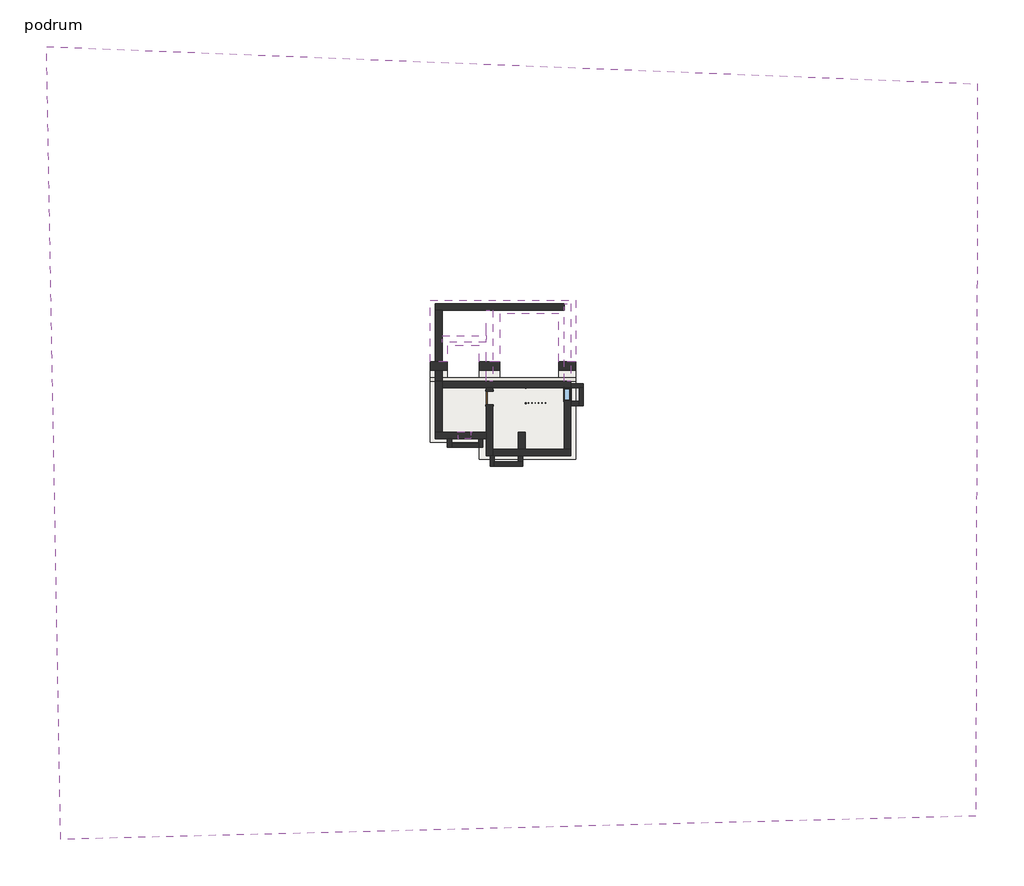
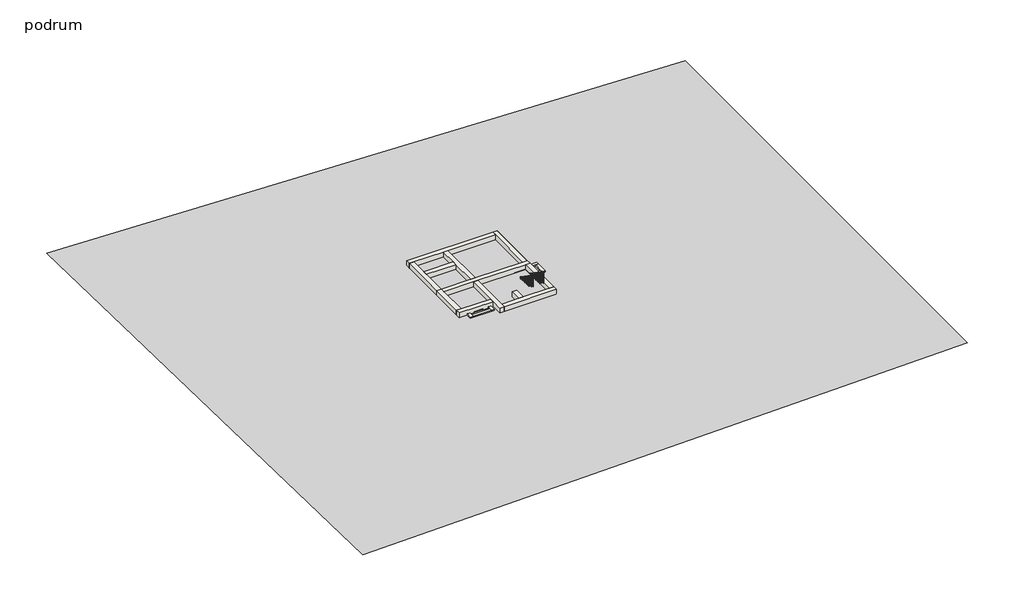
# One storey: 25 walls, 4 slabs, 2 railings, 2 windows, 1 door, 1 proxy.
"""IFC4 building model written with IfcOpenShell, lengths in millimetres."""

import ifcopenshell
import ifcopenshell.guid

model = None  # the IFC model being written
_history = None  # IfcOwnerHistory: only IFC2X3 demands one
_inside = {}  # id of a spatial element -> (the spatial element, [elements in it])
_under = {}  # id of a project, library or spatial element -> (it, [spatial elements below it])
_declared = {}  # id of a project -> (the project, [libraries it declares])
_typed = {}  # id of a type object -> (the type object, [elements of that type])
_made_of = {}  # id of a material, layer set ... -> (it, [elements and type objects made of it])


def new_model(schema):
    """Start an empty IFC model of exactly this schema.

    Asked for "IFC4X3", IfcOpenShell would pick the latest addendum, in which some entities
    have other attributes; the version numbers below select the first issue.
    IFC2X3 requires an IfcOwnerHistory on every rooted entity: one is made here for all.
    """
    global model, _history
    if schema == "IFC4X3":
        model = ifcopenshell.file(schema_version=(4, 3, 0, 0))
    else:
        model = ifcopenshell.file(schema=schema)
    _inside.clear()
    _under.clear()
    _declared.clear()
    _typed.clear()
    _made_of.clear()
    _history = None
    if model.schema == "IFC2X3":
        org = make("IfcOrganization", Name="unknown")
        user = make(
            "IfcPersonAndOrganization",
            ThePerson=make("IfcPerson", FamilyName="unknown"),
            TheOrganization=org,
        )
        app = make(
            "IfcApplication",
            ApplicationDeveloper=org,
            Version="unknown",
            ApplicationFullName="unknown",
            ApplicationIdentifier="unknown",
        )
        _history = make(
            "IfcOwnerHistory",
            OwningUser=user,
            OwningApplication=app,
            ChangeAction="ADDED",
            CreationDate=0,
        )
    return model


def make(cls, **values):
    """One entity of the class cls with the attributes given. An attribute that is None is left unset."""
    return model.create_entity(
        cls, **{name: value for name, value in values.items() if value is not None}
    )


def rooted(cls, **values):
    """An entity with a GlobalId (a new one), such as an element, a storey or a relation."""
    return make(cls, GlobalId=ifcopenshell.guid.new(), OwnerHistory=_history, **values)


def si_unit(unit_type, name, prefix=None):
    """IfcSIUnit, for example si_unit("LENGTHUNIT", "METRE", prefix="MILLI")."""
    return make("IfcSIUnit", UnitType=unit_type, Prefix=prefix, Name=name)


def assignment(units):
    """IfcUnitAssignment: the units of a project."""
    return None if units is None else make("IfcUnitAssignment", Units=units)


def point(xyz):
    """IfcCartesianPoint."""
    return None if xyz is None else make("IfcCartesianPoint", Coordinates=xyz)


def direction(xyz):
    """IfcDirection."""
    return None if xyz is None else make("IfcDirection", DirectionRatios=xyz)


def frame(location, z_axis=None, x_axis=None):
    """IfcAxis2Placement3D, a coordinate frame: its origin and axes. An axis left out is left unset."""
    return make(
        "IfcAxis2Placement3D",
        Location=point(location),
        Axis=direction(z_axis),
        RefDirection=direction(x_axis),
    )


def origin():
    """The frame at (0, 0, 0) with its axes left unset."""
    return frame((0.0, 0.0, 0.0))


def origin_with_axes():
    """The frame at (0, 0, 0) with the z axis (0, 0, 1) and the x axis (1, 0, 0) written out."""
    return frame((0.0, 0.0, 0.0), z_axis=(0.0, 0.0, 1.0), x_axis=(1.0, 0.0, 0.0))


def place(relative_to, where):
    """IfcLocalPlacement: puts the frame where relative to a parent placement (None: the world)."""
    return make(
        "IfcLocalPlacement", PlacementRelTo=relative_to, RelativePlacement=where
    )


def context(
    kind, dimensions, precision=None, world=None, true_north=None, identifier=None
):
    """IfcGeometricRepresentationContext, for example the 3D "Model" context."""
    return make(
        "IfcGeometricRepresentationContext",
        ContextIdentifier=identifier,
        ContextType=kind,
        CoordinateSpaceDimension=dimensions,
        Precision=precision,
        WorldCoordinateSystem=world,
        TrueNorth=true_north,
    )


def project(units=None, contexts=None):
    """IfcProject with its units and contexts."""
    return rooted(
        "IfcProject",
        Name="project",
        RepresentationContexts=contexts,
        UnitsInContext=assignment(units),
    )


def spatial(cls, under=None, at=None, **own):
    """A site, building, storey or space (cls), placed at a placement, below another one or the project."""
    s = rooted(cls, ObjectPlacement=at, **own)
    if under is not None:
        _under.setdefault(under.id(), (under, []))[1].append(s)
    return s


def polyline(points):
    """IfcPolyline through the points."""
    return make("IfcPolyline", Points=[point(p) for p in points])


def point_list(points):
    """IfcCartesianPointList2D or 3D."""
    cls = (
        "IfcCartesianPointList2D" if len(points[0]) == 2 else "IfcCartesianPointList3D"
    )
    return make(cls, CoordList=points)


def outline(outer, holes=None, kind="AREA"):
    """IfcArbitraryClosedProfileDef: a profile drawn as a closed curve; with holes, ...WithVoids."""
    if holes is None:
        return make("IfcArbitraryClosedProfileDef", ProfileType=kind, OuterCurve=outer)
    return make(
        "IfcArbitraryProfileDefWithVoids",
        ProfileType=kind,
        OuterCurve=outer,
        InnerCurves=holes,
    )


def extrude(swept, where, along, depth):
    """IfcExtrudedAreaSolid: the profile swept, set in the frame where, extruded along a direction by depth."""
    return make(
        "IfcExtrudedAreaSolid",
        SweptArea=swept,
        Position=where,
        ExtrudedDirection=direction(along),
        Depth=depth,
    )


def faces_of(points, faces, orient=None, outer=None):
    """IfcFace entities. A face is a list of loops; a loop is a list of indices into points, from 0.

    orient and outer hold one flag for each loop. By default every Orientation is true, the
    first loop of a face is its IfcFaceOuterBound and the others are IfcFaceBound.
    """
    made = []
    for i, loops in enumerate(faces):
        bounds = []
        for j, loop in enumerate(loops):
            is_outer = j == 0 if outer is None else outer[i][j]
            bounds.append(
                make(
                    "IfcFaceOuterBound" if is_outer else "IfcFaceBound",
                    Bound=make("IfcPolyLoop", Polygon=[points[k] for k in loop]),
                    Orientation=True if orient is None else orient[i][j],
                )
            )
        made.append(make("IfcFace", Bounds=bounds))
    return made


def faceted_brep(points, faces, orient=None, outer=None, voids=None):
    """IfcFacetedBrep: a solid bounded by flat faces; with voids (closed shells), ...WithVoids."""
    shared = [point(p) for p in points]
    hull = make("IfcClosedShell", CfsFaces=faces_of(shared, faces, orient, outer))
    if voids is None:
        return make("IfcFacetedBrep", Outer=hull)
    return make(
        "IfcFacetedBrepWithVoids",
        Outer=hull,
        Voids=[
            make(cls, CfsFaces=faces_of(shared, fs, o, b)) for cls, fs, o, b in voids
        ],
    )


def triangles(points, corners, closed=None, point_numbers=None):
    """IfcTriangulatedFaceSet: each triangle names its three corners, points numbered from 1."""
    return make(
        "IfcTriangulatedFaceSet",
        Coordinates=point_list(points),
        Closed=closed,
        CoordIndex=corners,
        PnIndex=point_numbers,
    )


def shape(context_of_items, identifier, shape_type, items):
    """IfcShapeRepresentation: the items that make up one representation, for example the "Body"."""
    return make(
        "IfcShapeRepresentation",
        ContextOfItems=context_of_items,
        RepresentationIdentifier=identifier,
        RepresentationType=shape_type,
        Items=items,
    )


def source(mapping_origin, context_of_items, identifier, shape_type, items):
    """IfcRepresentationMap: a shape defined once, which mapped items show again and again."""
    return make(
        "IfcRepresentationMap",
        MappingOrigin=mapping_origin,
        MappedRepresentation=shape(context_of_items, identifier, shape_type, items),
    )


def transform(
    local_origin,
    x_axis=None,
    y_axis=None,
    z_axis=None,
    scale=None,
    scale2=None,
    scale3=None,
    uniform=True,
):
    """IfcCartesianTransformationOperator3D, or its non-uniform kind. x_axis, y_axis, z_axis: its Axis1, 2, 3."""
    if uniform:
        return make(
            "IfcCartesianTransformationOperator3D",
            Axis1=direction(x_axis),
            Axis2=direction(y_axis),
            LocalOrigin=point(local_origin),
            Scale=scale,
            Axis3=direction(z_axis),
        )
    return make(
        "IfcCartesianTransformationOperator3DnonUniform",
        Axis1=direction(x_axis),
        Axis2=direction(y_axis),
        LocalOrigin=point(local_origin),
        Scale=scale,
        Axis3=direction(z_axis),
        Scale2=scale2,
        Scale3=scale3,
    )


def mapped(mapping_source, mapping_target):
    """IfcMappedItem: shows the shape of a source again, moved by a transform."""
    return make(
        "IfcMappedItem", MappingSource=mapping_source, MappingTarget=mapping_target
    )


def made_of(thing, what):
    """Note that an element or type object is made of a material, layer set ...; save() writes the relation."""
    if what is not None:
        _made_of.setdefault(what.id(), (what, []))[1].append(thing)
    return thing


def element(
    cls,
    number,
    at=None,
    inside=None,
    cuts=None,
    type_object=None,
    material=None,
    context=None,
    identifier="Body",
    shape_type=None,
    held_by="IfcProductDefinitionShape",
    body=None,
    shapes=None,
    **own,
):
    """One element of the class cls, such as IfcWall. Its Tag is "e" and its number.

    at: its placement. inside: the storey or other place that contains it. cuts: it is an
    opening in that element (IfcRelVoidsElement). A single representation is given by context,
    identifier, shape_type and body (its items); several are given by shapes. held_by: the class
    of the entity that holds the representations. save() writes the other relations.
    """
    e = rooted(cls, Tag="e%d" % number, ObjectPlacement=at, **own)
    if body is not None:
        shapes = [shape(context, identifier, shape_type, body)]
    if shapes is not None:
        e.Representation = make(held_by, Representations=shapes)
    if inside is not None:
        _inside.setdefault(inside.id(), (inside, []))[1].append(e)
    if cuts is not None:
        rooted(
            "IfcRelVoidsElement", RelatingBuildingElement=cuts, RelatedOpeningElement=e
        )
    if type_object is not None:
        _typed.setdefault(type_object.id(), (type_object, []))[1].append(e)
    return made_of(e, material)


def aggregate(whole, parts):
    """IfcRelAggregates: a whole, such as a stair, and the parts it consists of."""
    return rooted("IfcRelAggregates", RelatingObject=whole, RelatedObjects=parts)


def save(model, path):
    """Write the relations noted so far, then the file.

    IfcRelAggregates (storeys below a building ...), IfcRelContainedInSpatialStructure (elements
    in a storey), IfcRelDefinesByType, IfcRelAssociatesMaterial and IfcRelDeclares: one each for
    every whole, place, type object, material and project.
    """
    for whole, parts in _under.values():
        aggregate(whole, parts)
    for where, things in _inside.values():
        rooted(
            "IfcRelContainedInSpatialStructure",
            RelatedElements=things,
            RelatingStructure=where,
        )
    for kind, things in _typed.values():
        rooted("IfcRelDefinesByType", RelatedObjects=things, RelatingType=kind)
    for what, things in _made_of.values():
        rooted("IfcRelAssociatesMaterial", RelatedObjects=things, RelatingMaterial=what)
    for by, libraries in _declared.values():
        rooted("IfcRelDeclares", RelatingContext=by, RelatedDefinitions=libraries)
    model.write(path)


def single_flush_vrata_podrum_692fd464(model_context):
    return source(origin(), model_context, "Body", "SweptSolid", [
        extrude(outline(polyline([(2076.2, -476.2), (0.0, -476.2), (0.0, -400.0), (2000.0, -400.0), (2000.0, 400.0), (0.0, 400.0), (0.0, 476.2), (2076.2, 476.2), (2076.2, -476.2)])), frame((0.0, 200.0, 0.0), z_axis=(0.0, 1.0, 0.0), x_axis=(0.0, 0.0, 1.0)), (0.0, 0.0, 1.0), 25.4),
        extrude(outline(polyline([(2076.2, 476.2), (2076.2, -476.2), (0.0, -476.2), (0.0, -400.0), (2000.0, -400.0), (2000.0, 400.0), (0.0, 400.0), (0.0, 476.2), (2076.2, 476.2)])), frame((0.0, -225.4, 0.0), z_axis=(0.0, 1.0, 0.0), x_axis=(0.0, 0.0, 1.0)), (0.0, 0.0, 1.0), 25.4),
        extrude(outline(polyline([(400.0, 149.2), (-400.0, 149.2), (-400.0, 200.0), (400.0, 200.0), (400.0, 149.2)])), origin_with_axes(), (0.0, 0.0, 1.0), 2000.0),
    ])


def handrail_rectangular_777a7de6(model_context):
    return source(origin(), model_context, "Body", "SweptSolid", [
        extrude(outline(polyline([(-1349.8857143, 1316.6034014), (-1442.3710156, 1316.6034014), (-519.4741902, 2658.3534014), (-426.9888889, 2658.3534014), (-1349.8857143, 1316.6034014)])), frame((0.0, 3497.2058469, 0.0), z_axis=(0.0, 1.0, 0.0), x_axis=(0.0, 0.0, 1.0)), (0.0, 0.0, 1.0), 50.8),
        extrude(outline(polyline([(3548.0058469, -243.0285714), (3548.0058469, -335.5138727), (1647.2058469, 971.9146987), (1647.2058469, 1064.4), (3548.0058469, -243.0285714)])), frame((2658.3534014, 0.0, 0.0), z_axis=(1.0, 0.0, 0.0), x_axis=(0.0, 1.0, 0.0)), (0.0, 0.0, 1.0), 50.8),
        extrude(outline(polyline([(1727.6808469, 916.5615241), (1746.7308469, 903.4583495), (1746.7308469, -35.7142857), (1727.6808469, -35.7142857), (1727.6808469, 916.5615241)])), frame((2688.8284014, 0.0, 0.0), z_axis=(1.0, 0.0, 0.0), x_axis=(0.0, 1.0, 0.0)), (0.0, 0.0, 1.0), 19.05),
        extrude(outline(polyline([(1927.6808469, 778.9953865), (1946.7308469, 765.8922119), (1946.7308469, -221.4285714), (1927.6808469, -221.4285714), (1927.6808469, 778.9953865)])), frame((2688.8284014, 0.0, 0.0), z_axis=(1.0, 0.0, 0.0), x_axis=(0.0, 1.0, 0.0)), (0.0, 0.0, 1.0), 19.05),
        extrude(outline(polyline([(2127.6808469, 641.429249), (2146.7308469, 628.3260744), (2146.7308469, -221.4285714), (2127.6808469, -221.4285714), (2127.6808469, 641.429249)])), frame((2688.8284014, 0.0, 0.0), z_axis=(1.0, 0.0, 0.0), x_axis=(0.0, 1.0, 0.0)), (0.0, 0.0, 1.0), 19.05),
        extrude(outline(polyline([(2327.6808469, 503.8631114), (2346.7308469, 490.7599368), (2346.7308469, -407.1428571), (2327.6808469, -407.1428571), (2327.6808469, 503.8631114)])), frame((2688.8284014, 0.0, 0.0), z_axis=(1.0, 0.0, 0.0), x_axis=(0.0, 1.0, 0.0)), (0.0, 0.0, 1.0), 19.05),
        extrude(outline(polyline([(2527.6808469, 366.2969738), (2546.7308469, 353.1937992), (2546.7308469, -592.8571429), (2527.6808469, -592.8571429), (2527.6808469, 366.2969738)])), frame((2688.8284014, 0.0, 0.0), z_axis=(1.0, 0.0, 0.0), x_axis=(0.0, 1.0, 0.0)), (0.0, 0.0, 1.0), 19.05),
        extrude(outline(polyline([(2727.6808469, 228.7308363), (2746.7308469, 215.6276617), (2746.7308469, -778.5714286), (2727.6808469, -778.5714286), (2727.6808469, 228.7308363)])), frame((2688.8284014, 0.0, 0.0), z_axis=(1.0, 0.0, 0.0), x_axis=(0.0, 1.0, 0.0)), (0.0, 0.0, 1.0), 19.05),
        extrude(outline(polyline([(2927.6808469, 91.1646987), (2946.7308469, 78.0615241), (2946.7308469, -778.5714286), (2927.6808469, -778.5714286), (2927.6808469, 91.1646987)])), frame((2688.8284014, 0.0, 0.0), z_axis=(1.0, 0.0, 0.0), x_axis=(0.0, 1.0, 0.0)), (0.0, 0.0, 1.0), 19.05),
        extrude(outline(polyline([(3127.6808469, -46.4014389), (3146.7308469, -59.5046135), (3146.7308469, -964.2857143), (3127.6808469, -964.2857143), (3127.6808469, -46.4014389)])), frame((2688.8284014, 0.0, 0.0), z_axis=(1.0, 0.0, 0.0), x_axis=(0.0, 1.0, 0.0)), (0.0, 0.0, 1.0), 19.05),
        extrude(outline(polyline([(3327.6808469, -183.9675764), (3346.7308469, -197.070751), (3346.7308469, -1150.0), (3327.6808469, -1150.0), (3327.6808469, -183.9675764)])), frame((2688.8284014, 0.0, 0.0), z_axis=(1.0, 0.0, 0.0), x_axis=(0.0, 1.0, 0.0)), (0.0, 0.0, 1.0), 19.05),
        extrude(outline(polyline([(-610.4226029, 2526.1284014), (-623.5257775, 2507.0784014), (-1521.4285714, 2507.0784014), (-1521.4285714, 2526.1284014), (-610.4226029, 2526.1284014)])), frame((0.0, 3527.6808469, 0.0), z_axis=(0.0, 1.0, 0.0), x_axis=(0.0, 0.0, 1.0)), (0.0, 0.0, 1.0), 19.05),
        extrude(outline(polyline([(-747.9887404, 2326.1284014), (-761.091915, 2307.0784014), (-1707.1428571, 2307.0784014), (-1707.1428571, 2326.1284014), (-747.9887404, 2326.1284014)])), frame((0.0, 3527.6808469, 0.0), z_axis=(0.0, 1.0, 0.0), x_axis=(0.0, 0.0, 1.0)), (0.0, 0.0, 1.0), 19.05),
        extrude(outline(polyline([(-885.554878, 2126.1284014), (-898.6580526, 2107.0784014), (-1892.8571429, 2107.0784014), (-1892.8571429, 2126.1284014), (-885.554878, 2126.1284014)])), frame((0.0, 3527.6808469, 0.0), z_axis=(0.0, 1.0, 0.0), x_axis=(0.0, 0.0, 1.0)), (0.0, 0.0, 1.0), 19.05),
        extrude(outline(polyline([(-1023.1210156, 1926.1284014), (-1036.2241902, 1907.0784014), (-1892.8571429, 1907.0784014), (-1892.8571429, 1926.1284014), (-1023.1210156, 1926.1284014)])), frame((0.0, 3527.6808469, 0.0), z_axis=(0.0, 1.0, 0.0), x_axis=(0.0, 0.0, 1.0)), (0.0, 0.0, 1.0), 19.05),
        extrude(outline(polyline([(-1160.6871531, 1726.1284014), (-1173.7903277, 1707.0784014), (-2078.5714286, 1707.0784014), (-2078.5714286, 1726.1284014), (-1160.6871531, 1726.1284014)])), frame((0.0, 3527.6808469, 0.0), z_axis=(0.0, 1.0, 0.0), x_axis=(0.0, 0.0, 1.0)), (0.0, 0.0, 1.0), 19.05),
        extrude(outline(polyline([(-1298.2532907, 1526.1284014), (-1311.3564653, 1507.0784014), (-2264.2857143, 1507.0784014), (-2264.2857143, 1526.1284014), (-1298.2532907, 1526.1284014)])), frame((0.0, 3527.6808469, 0.0), z_axis=(0.0, 1.0, 0.0), x_axis=(0.0, 0.0, 1.0)), (0.0, 0.0, 1.0), 19.05),
        extrude(outline(polyline([(3527.6808469, -321.533714), (3546.7308469, -334.6368886), (3546.7308469, -1335.7142857), (3527.6808469, -1335.7142857), (3527.6808469, -321.533714)])), frame((2688.8284014, 0.0, 0.0), z_axis=(1.0, 0.0, 0.0), x_axis=(0.0, 1.0, 0.0)), (0.0, 0.0, 1.0), 19.05),
        extrude(outline(polyline([(-507.2479997, 2676.1284014), (-520.3511743, 2657.0784014), (-1335.7142857, 2657.0784014), (-1335.7142857, 2676.1284014), (-507.2479997, 2676.1284014)])), frame((0.0, 3527.6808469, 0.0), z_axis=(0.0, 1.0, 0.0), x_axis=(0.0, 0.0, 1.0)), (0.0, 0.0, 1.0), 19.05),
        extrude(outline(polyline([(1647.1808469, 971.9146987), (1666.2308469, 958.8115241), (1666.2308469, -35.7142857), (1647.1808469, -35.7142857), (1647.1808469, 971.9146987)])), frame((2688.8284014, 0.0, 0.0), z_axis=(1.0, 0.0, 0.0), x_axis=(0.0, 1.0, 0.0)), (0.0, 0.0, 1.0), 19.05),
        extrude(outline(polyline([(-1429.267841, 1335.6284014), (-1442.3710156, 1316.5784014), (-2264.2857143, 1316.5784014), (-2264.2857143, 1335.6284014), (-1429.267841, 1335.6284014)])), frame((0.0, 3527.6808469, 0.0), z_axis=(0.0, 1.0, 0.0), x_axis=(0.0, 0.0, 1.0)), (0.0, 0.0, 1.0), 19.05),
    ])


def handrail_rectangular_97ecf400(model_context):
    return source(origin(), model_context, "Body", "SolidModel", [
        faceted_brep([(1316.6034014, 4477.2058469, -1349.8857143), (1316.6034014, 4477.2058469, -1442.3710156), (1316.6034014, 4426.4058469, -1442.3710156), (1316.6034014, 4426.4058469, -1349.8857143), (2666.6034014, 4477.2058469, -421.3142857), (2690.279724, 4477.2058469, -497.5142857), (2690.279724, 4426.4058469, -497.5142857), (2666.6034014, 4426.4058469, -421.3142857), (3638.3534014, 4477.2058469, -421.3142857), (3638.3534014, 4477.2058469, -497.5142857), (3587.5534014, 4426.4058469, -497.5142857), (3587.5534014, 4426.4058469, -421.3142857), (3638.3534014, 3807.2058469, -421.3142857), (3638.3534014, 3783.5295242, -497.5142857), (3587.5534014, 3783.5295242, -497.5142857), (3587.5534014, 3807.2058469, -421.3142857), (3638.3534014, 1647.2058469, 1064.4), (3587.5534014, 1647.2058469, 1064.4), (3587.5534014, 1647.2058469, 971.9146987), (3638.3534014, 1647.2058469, 971.9146987)], [[[0, 1, 2, 3]], [[1, 0, 4, 5]], [[2, 1, 5, 6]], [[3, 2, 6, 7]], [[0, 3, 7, 4]], [[5, 4, 8, 9]], [[6, 5, 9, 10]], [[7, 6, 10, 11]], [[4, 7, 11, 8]], [[9, 8, 12, 13]], [[10, 9, 13, 14]], [[11, 10, 14, 15]], [[8, 11, 15, 12]], [[16, 17, 18, 19]], [[13, 12, 16, 19]], [[14, 13, 19, 18]], [[15, 14, 18, 17]], [[12, 15, 17, 16]]]),
        extrude(outline(polyline([(1816.7308469, 855.3102014), (1816.7308469, -35.7142857), (1797.6808469, -35.7142857), (1797.6808469, 868.413376), (1816.7308469, 855.3102014)])), frame((3588.8284014, 0.0, 0.0), z_axis=(1.0, 0.0, 0.0), x_axis=(0.0, 1.0, 0.0)), (0.0, 0.0, 1.0), 19.05),
        extrude(outline(polyline([(2016.7308469, 717.7440638), (2016.7308469, -221.4285714), (1997.6808469, -221.4285714), (1997.6808469, 730.8472384), (2016.7308469, 717.7440638)])), frame((3588.8284014, 0.0, 0.0), z_axis=(1.0, 0.0, 0.0), x_axis=(0.0, 1.0, 0.0)), (0.0, 0.0, 1.0), 19.05),
        extrude(outline(polyline([(2216.7308469, 580.1779262), (2216.7308469, -407.1428571), (2197.6808469, -407.1428571), (2197.6808469, 593.2811008), (2216.7308469, 580.1779262)])), frame((3588.8284014, 0.0, 0.0), z_axis=(1.0, 0.0, 0.0), x_axis=(0.0, 1.0, 0.0)), (0.0, 0.0, 1.0), 19.05),
        extrude(outline(polyline([(2416.7308469, 442.6117887), (2416.7308469, -407.1428571), (2397.6808469, -407.1428571), (2397.6808469, 455.7149633), (2416.7308469, 442.6117887)])), frame((3588.8284014, 0.0, 0.0), z_axis=(1.0, 0.0, 0.0), x_axis=(0.0, 1.0, 0.0)), (0.0, 0.0, 1.0), 19.05),
        extrude(outline(polyline([(2616.7308469, 305.0456511), (2616.7308469, -592.8571429), (2597.6808469, -592.8571429), (2597.6808469, 318.1488257), (2616.7308469, 305.0456511)])), frame((3588.8284014, 0.0, 0.0), z_axis=(1.0, 0.0, 0.0), x_axis=(0.0, 1.0, 0.0)), (0.0, 0.0, 1.0), 19.05),
        extrude(outline(polyline([(2816.7308469, 167.4795135), (2816.7308469, -778.5714286), (2797.6808469, -778.5714286), (2797.6808469, 180.5826881), (2816.7308469, 167.4795135)])), frame((3588.8284014, 0.0, 0.0), z_axis=(1.0, 0.0, 0.0), x_axis=(0.0, 1.0, 0.0)), (0.0, 0.0, 1.0), 19.05),
        extrude(outline(polyline([(3016.7308469, 29.913376), (3016.7308469, -964.2857143), (2997.6808469, -964.2857143), (2997.6808469, 43.0165506), (3016.7308469, 29.913376)])), frame((3588.8284014, 0.0, 0.0), z_axis=(1.0, 0.0, 0.0), x_axis=(0.0, 1.0, 0.0)), (0.0, 0.0, 1.0), 19.05),
        extrude(outline(polyline([(3216.7308469, -107.6527616), (3216.7308469, -964.2857143), (3197.6808469, -964.2857143), (3197.6808469, -94.549587), (3216.7308469, -107.6527616)])), frame((3588.8284014, 0.0, 0.0), z_axis=(1.0, 0.0, 0.0), x_axis=(0.0, 1.0, 0.0)), (0.0, 0.0, 1.0), 19.05),
        extrude(outline(polyline([(3416.7308469, -245.2188992), (3416.7308469, -1150.0), (3397.6808469, -1150.0), (3397.6808469, -232.1157246), (3416.7308469, -245.2188992)])), frame((3588.8284014, 0.0, 0.0), z_axis=(1.0, 0.0, 0.0), x_axis=(0.0, 1.0, 0.0)), (0.0, 0.0, 1.0), 19.05),
        extrude(outline(polyline([(3616.7308469, -382.7850367), (3616.7308469, -1335.7142857), (3597.6808469, -1335.7142857), (3597.6808469, -369.6818621), (3616.7308469, -382.7850367)])), frame((3588.8284014, 0.0, 0.0), z_axis=(1.0, 0.0, 0.0), x_axis=(0.0, 1.0, 0.0)), (0.0, 0.0, 1.0), 19.05),
        extrude(outline(polyline([(3607.8784014, 3846.7308469), (3607.8784014, 3827.6808469), (3588.8284014, 3827.6808469), (3588.8284014, 3846.7308469), (3607.8784014, 3846.7308469)])), frame((0.0, 0.0, -1335.7142857), z_axis=(0.0, 0.0, 1.0), x_axis=(1.0, 0.0, 0.0)), (0.0, 0.0, 1.0), 838.2),
        extrude(outline(polyline([(3607.8784014, 4046.7308469), (3607.8784014, 4027.6808469), (3588.8284014, 4027.6808469), (3588.8284014, 4046.7308469), (3607.8784014, 4046.7308469)])), frame((0.0, 0.0, -1335.7142857), z_axis=(0.0, 0.0, 1.0), x_axis=(1.0, 0.0, 0.0)), (0.0, 0.0, 1.0), 838.2),
        extrude(outline(polyline([(3607.8784014, 4246.7308469), (3607.8784014, 4227.6808469), (3588.8284014, 4227.6808469), (3588.8284014, 4246.7308469), (3607.8784014, 4246.7308469)])), frame((0.0, 0.0, -1335.7142857), z_axis=(0.0, 0.0, 1.0), x_axis=(1.0, 0.0, 0.0)), (0.0, 0.0, 1.0), 838.2),
        extrude(outline(polyline([(3457.0784014, 4446.7308469), (3476.1284014, 4446.7308469), (3476.1284014, 4427.6808469), (3457.0784014, 4427.6808469), (3457.0784014, 4446.7308469)])), frame((0.0, 0.0, -1335.7142857), z_axis=(0.0, 0.0, 1.0), x_axis=(1.0, 0.0, 0.0)), (0.0, 0.0, 1.0), 838.2),
        extrude(outline(polyline([(3257.0784014, 4446.7308469), (3276.1284014, 4446.7308469), (3276.1284014, 4427.6808469), (3257.0784014, 4427.6808469), (3257.0784014, 4446.7308469)])), frame((0.0, 0.0, -1335.7142857), z_axis=(0.0, 0.0, 1.0), x_axis=(1.0, 0.0, 0.0)), (0.0, 0.0, 1.0), 838.2),
        extrude(outline(polyline([(3057.0784014, 4446.7308469), (3076.1284014, 4446.7308469), (3076.1284014, 4427.6808469), (3057.0784014, 4427.6808469), (3057.0784014, 4446.7308469)])), frame((0.0, 0.0, -1335.7142857), z_axis=(0.0, 0.0, 1.0), x_axis=(1.0, 0.0, 0.0)), (0.0, 0.0, 1.0), 838.2),
        extrude(outline(polyline([(2857.0784014, 4446.7308469), (2876.1284014, 4446.7308469), (2876.1284014, 4427.6808469), (2857.0784014, 4427.6808469), (2857.0784014, 4446.7308469)])), frame((0.0, 0.0, -1335.7142857), z_axis=(0.0, 0.0, 1.0), x_axis=(1.0, 0.0, 0.0)), (0.0, 0.0, 1.0), 838.2),
        extrude(outline(polyline([(-623.5257775, 2507.0784014), (-1521.4285714, 2507.0784014), (-1521.4285714, 2526.1284014), (-610.4226029, 2526.1284014), (-623.5257775, 2507.0784014)])), frame((0.0, 4427.6808469, 0.0), z_axis=(0.0, 1.0, 0.0), x_axis=(0.0, 0.0, 1.0)), (0.0, 0.0, 1.0), 19.05),
        extrude(outline(polyline([(-761.091915, 2307.0784014), (-1707.1428571, 2307.0784014), (-1707.1428571, 2326.1284014), (-747.9887404, 2326.1284014), (-761.091915, 2307.0784014)])), frame((0.0, 4427.6808469, 0.0), z_axis=(0.0, 1.0, 0.0), x_axis=(0.0, 0.0, 1.0)), (0.0, 0.0, 1.0), 19.05),
        extrude(outline(polyline([(-898.6580526, 2107.0784014), (-1892.8571429, 2107.0784014), (-1892.8571429, 2126.1284014), (-885.554878, 2126.1284014), (-898.6580526, 2107.0784014)])), frame((0.0, 4427.6808469, 0.0), z_axis=(0.0, 1.0, 0.0), x_axis=(0.0, 0.0, 1.0)), (0.0, 0.0, 1.0), 19.05),
        extrude(outline(polyline([(-1036.2241902, 1907.0784014), (-1892.8571429, 1907.0784014), (-1892.8571429, 1926.1284014), (-1023.1210156, 1926.1284014), (-1036.2241902, 1907.0784014)])), frame((0.0, 4427.6808469, 0.0), z_axis=(0.0, 1.0, 0.0), x_axis=(0.0, 0.0, 1.0)), (0.0, 0.0, 1.0), 19.05),
        extrude(outline(polyline([(-1173.7903277, 1707.0784014), (-2078.5714286, 1707.0784014), (-2078.5714286, 1726.1284014), (-1160.6871531, 1726.1284014), (-1173.7903277, 1707.0784014)])), frame((0.0, 4427.6808469, 0.0), z_axis=(0.0, 1.0, 0.0), x_axis=(0.0, 0.0, 1.0)), (0.0, 0.0, 1.0), 19.05),
        extrude(outline(polyline([(-1311.3564653, 1507.0784014), (-2264.2857143, 1507.0784014), (-2264.2857143, 1526.1284014), (-1298.2532907, 1526.1284014), (-1311.3564653, 1507.0784014)])), frame((0.0, 4427.6808469, 0.0), z_axis=(0.0, 1.0, 0.0), x_axis=(0.0, 0.0, 1.0)), (0.0, 0.0, 1.0), 19.05),
        extrude(outline(polyline([(3607.8784014, 3816.7308469), (3607.8784014, 3797.6808469), (3588.8284014, 3797.6808469), (3588.8284014, 3816.7308469), (3607.8784014, 3816.7308469)])), frame((0.0, 0.0, -1335.7142857), z_axis=(0.0, 0.0, 1.0), x_axis=(1.0, 0.0, 0.0)), (0.0, 0.0, 1.0), 838.2),
        extrude(outline(polyline([(3588.8284014, 4446.7308469), (3607.8784014, 4446.7308469), (3607.8784014, 4427.6808469), (3588.8284014, 4427.6808469), (3588.8284014, 4446.7308469)])), frame((0.0, 0.0, -1335.7142857), z_axis=(0.0, 0.0, 1.0), x_axis=(1.0, 0.0, 0.0)), (0.0, 0.0, 1.0), 838.2),
        extrude(outline(polyline([(-520.3511743, 2657.0784014), (-1335.7142857, 2657.0784014), (-1335.7142857, 2676.1284014), (-507.2479997, 2676.1284014), (-520.3511743, 2657.0784014)])), frame((0.0, 4427.6808469, 0.0), z_axis=(0.0, 1.0, 0.0), x_axis=(0.0, 0.0, 1.0)), (0.0, 0.0, 1.0), 19.05),
        extrude(outline(polyline([(1666.2308469, 958.8115241), (1666.2308469, -35.7142857), (1647.1808469, -35.7142857), (1647.1808469, 971.9146987), (1666.2308469, 958.8115241)])), frame((3588.8284014, 0.0, 0.0), z_axis=(1.0, 0.0, 0.0), x_axis=(0.0, 1.0, 0.0)), (0.0, 0.0, 1.0), 19.05),
        extrude(outline(polyline([(-1442.3710156, 1316.5784014), (-2264.2857143, 1316.5784014), (-2264.2857143, 1335.6284014), (-1429.267841, 1335.6284014), (-1442.3710156, 1316.5784014)])), frame((0.0, 4427.6808469, 0.0), z_axis=(0.0, 1.0, 0.0), x_axis=(0.0, 0.0, 1.0)), (0.0, 0.0, 1.0), 19.05),
    ])


def fixed_with_trim_efe55229(model_context):
    return source(origin(), model_context, "Body", "SweptSolid", [
        extrude(outline(polyline([(-482.95, 225.4), (406.75, 225.4), (406.75, 200.0), (-482.95, 200.0), (-482.95, 225.4)])), frame((0.0, 0.0, 914.4), z_axis=(0.0, 0.0, 1.0), x_axis=(1.0, 0.0, 0.0)), (0.0, 0.0, 1.0), 19.05),
        extrude(outline(polyline([(1595.35, -394.05), (1595.35, 317.85), (933.45, 317.85), (933.45, 406.75), (1684.25, 406.75), (1684.25, -482.95), (933.45, -482.95), (933.45, -394.05), (1595.35, -394.05)])), frame((0.0, 200.0, 0.0), z_axis=(0.0, 1.0, 0.0), x_axis=(0.0, 0.0, 1.0)), (0.0, 0.0, 1.0), 12.7),
        extrude(outline(polyline([(1671.55, 394.05), (1671.55, -470.25), (857.25, -470.25), (857.25, 394.05), (1671.55, 394.05)]), holes=[polyline([(1582.65, 305.15), (946.15, 305.15), (946.15, -381.35), (1582.65, -381.35), (1582.65, 305.15)])]), frame((0.0, -219.05, 0.0), z_axis=(0.0, 1.0, 0.0), x_axis=(0.0, 0.0, 1.0)), (0.0, 0.0, 1.0), 19.05),
        extrude(outline(polyline([(273.4, 152.375), (-349.6, 152.375), (-349.6, 165.075), (273.4, 165.075), (273.4, 152.375)])), frame((0.0, 0.0, 977.9), z_axis=(0.0, 0.0, 1.0), x_axis=(1.0, 0.0, 0.0)), (0.0, 0.0, 1.0), 573.0),
        extrude(outline(polyline([(1595.35, -394.05), (933.45, -394.05), (933.45, 317.85), (1595.35, 317.85), (1595.35, -394.05)]), holes=[polyline([(1550.9, -349.6), (1550.9, 273.4), (977.9, 273.4), (977.9, -349.6), (1550.9, -349.6)])]), frame((0.0, 136.5, 0.0), z_axis=(0.0, 1.0, 0.0), x_axis=(0.0, 0.0, 1.0)), (0.0, 0.0, 1.0), 44.45),
        extrude(outline(polyline([(1614.4, -413.1), (914.4, -413.1), (914.4, 336.9), (1614.4, 336.9), (1614.4, -413.1)]), holes=[polyline([(1582.65, -381.35), (1582.65, 305.15), (946.15, 305.15), (946.15, -381.35), (1582.65, -381.35)])]), frame((0.0, -200.0, 0.0), z_axis=(0.0, 1.0, 0.0), x_axis=(0.0, 0.0, 1.0)), (0.0, 0.0, 1.0), 336.5),
        extrude(outline(polyline([(1614.4, 336.9), (1614.4, -413.1), (914.4, -413.1), (914.4, 336.9), (1614.4, 336.9)]), holes=[polyline([(1595.35, 317.85), (933.45, 317.85), (933.45, -394.05), (1595.35, -394.05), (1595.35, 317.85)])]), frame((0.0, 136.5, 0.0), z_axis=(0.0, 1.0, 0.0), x_axis=(0.0, 0.0, 1.0)), (0.0, 0.0, 1.0), 63.5),
    ])


def transom_with_trim_39e97bac(model_context):
    return source(origin(), model_context, "Body", "SweptSolid", [
        extrude(outline(polyline([(2807.15, 394.05), (2807.15, -470.25), (1942.85, -470.25), (1942.85, 394.05), (2807.15, 394.05)]), holes=[polyline([(2718.25, 305.15), (2031.75, 305.15), (2031.75, -381.35), (2718.25, -381.35), (2718.25, 305.15)])]), frame((0.0, -219.05, 0.0), z_axis=(0.0, 1.0, 0.0), x_axis=(0.0, 0.0, 1.0)), (0.0, 0.0, 1.0), 19.05),
        extrude(outline(polyline([(273.4, 152.375), (-349.6, 152.375), (-349.6, 165.075), (273.4, 165.075), (273.4, 152.375)])), frame((0.0, 0.0, 2063.5), z_axis=(0.0, 0.0, 1.0), x_axis=(1.0, 0.0, 0.0)), (0.0, 0.0, 1.0), 623.0),
        extrude(outline(polyline([(2730.95, -394.05), (2019.05, -394.05), (2019.05, 317.85), (2730.95, 317.85), (2730.95, -394.05)]), holes=[polyline([(2686.5, -349.6), (2686.5, 273.4), (2063.5, 273.4), (2063.5, -349.6), (2686.5, -349.6)])]), frame((0.0, 136.5, 0.0), z_axis=(0.0, 1.0, 0.0), x_axis=(0.0, 0.0, 1.0)), (0.0, 0.0, 1.0), 44.45),
        extrude(outline(polyline([(2750.0, -413.1), (2000.0, -413.1), (2000.0, 336.9), (2750.0, 336.9), (2750.0, -413.1)]), holes=[polyline([(2718.25, -381.35), (2718.25, 305.15), (2031.75, 305.15), (2031.75, -381.35), (2718.25, -381.35)])]), frame((0.0, -200.0, 0.0), z_axis=(0.0, 1.0, 0.0), x_axis=(0.0, 0.0, 1.0)), (0.0, 0.0, 1.0), 336.5),
        extrude(outline(polyline([(2750.0, 336.9), (2750.0, -413.1), (2000.0, -413.1), (2000.0, 336.9), (2750.0, 336.9)]), holes=[polyline([(2730.95, 317.85), (2019.05, 317.85), (2019.05, -394.05), (2730.95, -394.05), (2730.95, 317.85)])]), frame((0.0, 136.5, 0.0), z_axis=(0.0, 1.0, 0.0), x_axis=(0.0, 0.0, 1.0)), (0.0, 0.0, 1.0), 63.5),
    ])


model = new_model("IFC4")

# Units and contexts
model_context = context("Model", 3, world=origin())
ifc_project = project(units=[si_unit("LENGTHUNIT", "METRE", prefix="MILLI")], contexts=[model_context])

# Site, building, storey
site = spatial("IfcSite", under=ifc_project)
building = spatial("IfcBuilding", under=site)
storey = spatial("IfcBuildingStorey", under=building, Name="podrum", Elevation=-2600.0)

# Proxy
placement = place(None, origin())
element("IfcBuildingElementProxy", 1, Name="Building Element Proxy", at=placement, inside=storey, context=model_context, shape_type="Tessellation", body=[
    triangles([(-26127.6191528, -22251.4464478, -450.0000034), (27949.9148987, -20874.2560913, -450.0000034), (28049.3762695, 22402.4256042, -450.0000034), (-26965.486615, 24606.5631592, -450.0000034)], [[4, 1, 3], [2, 3, 1]], closed=False),
])

# Door
single_flush_vrata_podrum_shape = single_flush_vrata_podrum_692fd464(model_context)
element("IfcDoor", 2, ObjectType="Single-Flush : vrata podrum", at=placement, inside=storey, context=model_context, shape_type="MappedRepresentation", body=[
    mapped(single_flush_vrata_podrum_shape, transform((-783.3965986, 3837.2058469, -2600.0), x_axis=(0.0, 1.0, 0.0), y_axis=(-1.0, 0.0, 0.0), z_axis=(0.0, 0.0, 1.0))),
])

# Railings
handrail_rectangular_shape = handrail_rectangular_777a7de6(model_context)
element("IfcRailing", 3, ObjectType="Handrail - Rectangular", at=placement, inside=storey, context=model_context, shape_type="MappedRepresentation", body=[
    mapped(handrail_rectangular_shape, transform((0.0, 0.0, 0.0), x_axis=(1.0, 0.0, 0.0), y_axis=(0.0, 1.0, 0.0), z_axis=(0.0, 0.0, 1.0))),
])
handrail_rectangular_2_shape = handrail_rectangular_97ecf400(model_context)
element("IfcRailing", 4, ObjectType="Handrail - Rectangular", at=placement, inside=storey, context=model_context, shape_type="MappedRepresentation", body=[
    mapped(handrail_rectangular_2_shape, transform((0.0, 0.0, 0.0), x_axis=(1.0, 0.0, 0.0), y_axis=(0.0, 1.0, 0.0), z_axis=(0.0, 0.0, 1.0))),
])

# Slabs
element("IfcSlab", 5, ObjectType="Foundation Slab 1", at=placement, inside=storey, context=model_context, shape_type="SweptSolid", body=[
    extrude(outline(polyline([(-4283.3965986, 5037.2058469), (4316.6034014, 5037.2058469), (4316.6034014, 217.2058469), (-1383.3965986, 217.2058469), (-1383.3965986, 1217.2058469), (-4283.3965986, 1217.2058469), (-4283.3965986, 5037.2058469)]), holes=[polyline([(-3283.3965986, 2017.2058469), (-1383.3965986, 2017.2058469), (-1383.3965986, 4237.2058469), (-3283.3965986, 4237.2058469), (-3283.3965986, 2017.2058469)]), polyline([(816.6034014, 1017.2058469), (816.6034014, 1817.2058469), (1416.6034014, 1817.2058469), (1416.6034014, 1017.2058469), (3316.6034014, 1017.2058469), (3316.6034014, 4237.2058469), (-183.3965986, 4237.2058469), (-183.3965986, 1017.2058469), (816.6034014, 1017.2058469)])]), frame((0.0, 0.0, -3100.0), z_axis=(0.0, 0.0, 1.0), x_axis=(1.0, 0.0, 0.0)), (0.0, 0.0, 1.0), 500.0),
])
element("IfcSlab", 6, ObjectType="Foundation Slab 1", at=placement, inside=storey, context=model_context, shape_type="SweptSolid", body=[
    extrude(outline(polyline([(4316.6034014, 9617.2058469), (4316.6034014, 5977.2058469), (3316.6034014, 5977.2058469), (3316.6034014, 8817.2058469), (-183.3965986, 8817.2058469), (-183.3965986, 5977.2058469), (-1383.3965986, 5977.2058469), (-1383.3965986, 6917.2058469), (-3283.3965986, 6917.2058469), (-3283.3965986, 5977.2058469), (-4283.3965986, 5977.2058469), (-4283.3965986, 9617.2058469), (4316.6034014, 9617.2058469)]), holes=[polyline([(-3283.3965986, 8817.2058469), (-3283.3965986, 7717.2058469), (-1383.3965986, 7717.2058469), (-1383.3965986, 8817.2058469), (-3283.3965986, 8817.2058469)])]), frame((0.0, 0.0, -1300.0), z_axis=(0.0, 0.0, 1.0), x_axis=(1.0, 0.0, 0.0)), (0.0, 0.0, 1.0), 500.0),
])
element("IfcSlab", 7, ObjectType="Foundation Slab 1", at=placement, inside=storey, context=model_context, shape_type="SweptSolid", body=[
    extrude(outline(polyline([(-3283.3965986, 4837.2058469), (-4283.3965986, 4837.2058469), (-4283.3965986, 5977.2058469), (-3283.3965986, 5977.2058469), (-3283.3965986, 4837.2058469)])), frame((0.0, 0.0, -2200.0), z_axis=(0.0, 0.0, 1.0), x_axis=(1.0, 0.0, 0.0)), (0.0, 0.0, 1.0), 500.0),
    extrude(outline(polyline([(-1383.3965986, 4837.2058469), (-1383.3965986, 5977.2058469), (-183.3965986, 5977.2058469), (-183.3965986, 4837.2058469), (-1383.3965986, 4837.2058469)])), frame((0.0, 0.0, -2200.0), z_axis=(0.0, 0.0, 1.0), x_axis=(1.0, 0.0, 0.0)), (0.0, 0.0, 1.0), 500.0),
    extrude(outline(polyline([(3316.6034014, 4837.2058469), (3316.6034014, 5977.2058469), (4316.6034014, 5977.2058469), (4316.6034014, 4837.2058469), (3316.6034014, 4837.2058469)])), frame((0.0, 0.0, -2200.0), z_axis=(0.0, 0.0, 1.0), x_axis=(1.0, 0.0, 0.0)), (0.0, 0.0, 1.0), 500.0),
])
element("IfcSlab", 8, ObjectType="pod", at=placement, inside=storey, context=model_context, shape_type="SweptSolid", body=[
    extrude(outline(polyline([(3616.6034014, 4437.2058469), (3616.6034014, 817.2058469), (-583.3965986, 817.2058469), (-583.3965986, 1817.2058469), (-3583.3965986, 1817.2058469), (-3583.3965986, 4437.2058469), (3616.6034014, 4437.2058469)])), frame((0.0, 0.0, -2600.0), z_axis=(0.0, 0.0, 1.0), x_axis=(1.0, 0.0, 0.0)), (0.0, 0.0, 1.0), 150.0),
])

# Walls
element("IfcWall", 9, at=placement, inside=storey, context=model_context, shape_type="Brep", body=[
    faceted_brep([(3616.6034014, 9417.2058469, -800.0), (3616.6034014, 4837.2058469, -800.0), (3616.6034014, 4837.2058469, 0.0), (3616.6034014, 9017.2058469, 0.0), (3616.6034014, 9417.2058469, 0.0), (4016.6034014, 9417.2058469, -800.0), (4016.6034014, 9417.2058469, 0.0), (4016.6034014, 4837.2058469, 0.0), (4016.6034014, 4837.2058469, -330.0), (4016.6034014, 4837.2058469, -800.0), (4008.8104326, 4837.2058469, 0.0), (4008.8104326, 9417.2058469, 0.0)], [[[0, 1, 2, 3, 4]], [[5, 6, 7, 8, 9]], [[1, 0, 5, 9]], [[1, 9, 8, 7, 10, 2]], [[0, 4, 11, 6, 5]], [[10, 7, 6, 11]], [[4, 3, 2, 10, 11]]]),
])
element("IfcWall", 10, at=placement, inside=storey, context=model_context, shape_type="SweptSolid", body=[
    extrude(outline(polyline([(-3583.3965986, 7517.2058469), (-983.3965986, 7517.2058469), (-983.3965986, 7117.2058469), (-3583.3965986, 7117.2058469), (-3583.3965986, 7517.2058469)])), frame((0.0, 0.0, -800.0), z_axis=(0.0, 0.0, 1.0), x_axis=(1.0, 0.0, 0.0)), (0.0, 0.0, 1.0), 800.0),
])
element("IfcWall", 11, at=placement, inside=storey, context=model_context, shape_type="Brep", body=[
    faceted_brep([(-583.3965986, 4837.2058469, -800.0), (-583.3965986, 9017.2058469, -800.0), (-583.3965986, 9017.2058469, 0.0), (-583.3965986, 4837.2058469, 0.0), (-983.3965986, 4837.2058469, -800.0), (-983.3965986, 4837.2058469, 0.0), (-983.3965986, 7117.2058469, 0.0), (-983.3965986, 7517.2058469, 0.0), (-983.3965986, 9017.2058469, 0.0), (-983.3965986, 9017.2058469, -800.0), (-983.3965986, 7517.2058469, -800.0), (-983.3965986, 7117.2058469, -800.0)], [[[0, 1, 2, 3]], [[4, 5, 6, 7, 8, 9, 10, 11]], [[1, 0, 4, 11, 10, 9]], [[3, 2, 8, 7, 6, 5]], [[0, 3, 5, 4]], [[2, 1, 9, 8]]]),
])
element("IfcWall", 12, at=placement, inside=storey, context=model_context, shape_type="Brep", body=[
    faceted_brep([(-983.3965986, 1817.2058469, -2600.0), (-3583.3965986, 1817.2058469, -2600.0), (-3983.3965986, 1817.2058469, -2600.0), (-3983.3965986, 1817.2058469, 0.0), (-3583.3965986, 1817.2058469, 0.0), (-983.3965986, 1817.2058469, 0.0), (-2633.3965986, 1817.2058469, -350.0), (-2633.3965986, 1817.2058469, -1100.0), (-1883.3965986, 1817.2058469, -1100.0), (-1883.3965986, 1817.2058469, -350.0), (-3983.3965986, 1417.2058469, -2600.0), (-3283.3965986, 1417.2058469, -2600.0), (-3033.3965986, 1417.2058469, -2600.0), (-1433.3965986, 1417.2058469, -2600.0), (-1183.3965986, 1417.2058469, -2600.0), (-983.3965986, 1417.2058469, -2600.0), (-983.3965986, 1417.2058469, 0.0), (-3983.3965986, 1417.2058469, 0.0), (-2633.3965986, 1417.2058469, -1100.0), (-2633.3965986, 1417.2058469, -350.0), (-1883.3965986, 1417.2058469, -350.0), (-1883.3965986, 1417.2058469, -1100.0)], [[[0, 1, 2, 3, 4, 5], [6, 7, 8, 9]], [[10, 11, 12, 13, 14, 15, 16, 17], [18, 19, 20, 21]], [[2, 1, 0, 15, 14, 13, 12, 11, 10]], [[5, 4, 3, 17, 16]], [[0, 5, 16, 15]], [[3, 2, 10, 17]], [[6, 19, 18, 7]], [[7, 18, 21, 8]], [[8, 21, 20, 9]], [[19, 6, 9, 20]]]),
])
element("IfcWall", 13, at=placement, inside=storey, context=model_context, shape_type="Brep", body=[
    faceted_brep([(-583.3965986, 417.2058469, -2600.0), (-498.3965986, 417.2058469, -2600.0), (916.6034014, 417.2058469, -2600.0), (1166.6034014, 417.2058469, -2600.0), (4016.6034014, 417.2058469, -2600.0), (4016.6034014, 417.2058469, 0.0), (-583.3965986, 417.2058469, 0.0), (-583.3965986, 817.2058469, -2600.0), (-583.3965986, 817.2058469, 0.0), (916.6034014, 817.2058469, 0.0), (1316.6034014, 817.2058469, 0.0), (3616.6034014, 817.2058469, 0.0), (4016.6034014, 817.2058469, 0.0), (4016.6034014, 817.2058469, -2600.0), (3616.6034014, 817.2058469, -2600.0), (1316.6034014, 817.2058469, -2600.0), (916.6034014, 817.2058469, -2600.0)], [[[0, 1, 2, 3, 4, 5, 6]], [[7, 8, 9, 10, 11, 12, 13, 14, 15, 16]], [[4, 3, 2, 1, 0, 7, 16, 15, 14, 13]], [[6, 5, 12, 11, 10, 9, 8]], [[5, 4, 13, 12]], [[0, 6, 8, 7]]]),
])
element("IfcWall", 14, at=placement, inside=storey, context=model_context, shape_type="Brep", body=[
    faceted_brep([(4016.6034014, 817.2058469, -2600.0), (4016.6034014, 3387.2058469, -2600.0), (4016.6034014, 3637.2058469, -2600.0), (4016.6034014, 4437.2058469, -2600.0), (4016.6034014, 4437.2058469, -330.0), (4016.6034014, 4437.2058469, 0.0), (4016.6034014, 817.2058469, 0.0), (4016.6034014, 3662.2058469, -985.6), (4016.6034014, 4412.2058469, -985.6), (4016.6034014, 4412.2058469, -1685.6), (4016.6034014, 3662.2058469, -1685.6), (3616.6034014, 817.2058469, -2600.0), (3616.6034014, 817.2058469, 0.0), (3616.6034014, 4437.2058469, 0.0), (3616.6034014, 4437.2058469, -2600.0), (3616.6034014, 3662.2058469, -985.6), (3616.6034014, 3662.2058469, -1685.6), (3616.6034014, 4412.2058469, -1685.6), (3616.6034014, 4412.2058469, -985.6)], [[[0, 1, 2, 3, 4, 5, 6], [7, 8, 9, 10]], [[11, 12, 13, 14], [15, 16, 17, 18]], [[3, 2, 1, 0, 11, 14]], [[6, 5, 13, 12]], [[0, 6, 12, 11]], [[3, 14, 13, 5, 4]], [[16, 15, 7, 10]], [[17, 16, 10, 9]], [[18, 17, 9, 8]], [[15, 18, 8, 7]]]),
])
element("IfcWall", 15, at=placement, inside=storey, context=model_context, shape_type="Brep", body=[
    faceted_brep([(-983.3965986, 4437.2058469, -2600.0), (-983.3965986, 4237.2058469, -2600.0), (-983.3965986, 4237.2058469, -600.0), (-983.3965986, 3437.2058469, -600.0), (-983.3965986, 3437.2058469, -2600.0), (-983.3965986, 1817.2058469, -2600.0), (-983.3965986, 1417.2058469, -2600.0), (-983.3965986, 417.2058469, -2600.0), (-983.3965986, 417.2058469, 0.0), (-983.3965986, 1417.2058469, 0.0), (-983.3965986, 1817.2058469, 0.0), (-983.3965986, 4437.2058469, 0.0), (-583.3965986, 4237.2058469, -600.0), (-583.3965986, 4237.2058469, -2600.0), (-583.3965986, 4437.2058469, -2600.0), (-583.3965986, 4437.2058469, 0.0), (-583.3965986, 817.2058469, 0.0), (-583.3965986, 417.2058469, 0.0), (-583.3965986, 417.2058469, -2600.0), (-583.3965986, 817.2058469, -2600.0), (-583.3965986, 3437.2058469, -2600.0), (-583.3965986, 3437.2058469, -600.0), (-748.3965986, 417.2058469, -2600.0)], [[[0, 1, 2, 3, 4, 5, 6, 7, 8, 9, 10, 11]], [[12, 13, 14, 15, 16, 17, 18, 19, 20, 21]], [[14, 13, 1, 0]], [[20, 19, 18, 22, 7, 6, 5, 4]], [[11, 10, 9, 8, 17, 16, 15]], [[7, 22, 18, 17, 8]], [[2, 1, 13, 12]], [[3, 2, 12, 21]], [[4, 3, 21, 20]], [[0, 11, 15, 14]]]),
])
element("IfcWall", 16, at=placement, inside=storey, context=model_context, shape_type="Brep", body=[
    faceted_brep([(-3583.3965986, 1817.2058469, -2600.0), (-3583.3965986, 4437.2058469, -2600.0), (-3583.3965986, 4837.2058469, -2600.0), (-3583.3965986, 4837.2058469, 0.0), (-3583.3965986, 4437.2058469, 0.0), (-3583.3965986, 1817.2058469, 0.0), (-3983.3965986, 1817.2058469, -2600.0), (-3983.3965986, 1817.2058469, 0.0), (-3983.3965986, 4837.2058469, 0.0), (-3983.3965986, 4837.2058469, -2600.0)], [[[0, 1, 2, 3, 4, 5]], [[6, 7, 8, 9]], [[2, 1, 0, 6, 9]], [[5, 4, 3, 8, 7]], [[3, 2, 9, 8]], [[0, 5, 7, 6]]]),
])
element("IfcWall", 17, at=placement, inside=storey, context=model_context, shape_type="Brep", body=[
    faceted_brep([(-3583.3965986, 4437.2058469, -2600.0), (-983.3965986, 4437.2058469, -2600.0), (-583.3965986, 4437.2058469, -2600.0), (3616.6034014, 4437.2058469, -2600.0), (4016.6034014, 4437.2058469, -2600.0), (4016.6034014, 4437.2058469, -330.0), (4016.6034014, 4437.2058469, 0.0), (3616.6034014, 4437.2058469, 0.0), (-583.3965986, 4437.2058469, 0.0), (-983.3965986, 4437.2058469, 0.0), (-3583.3965986, 4437.2058469, 0.0), (-3583.3965986, 4837.2058469, -2600.0), (-3583.3965986, 4837.2058469, 0.0), (-983.3965986, 4837.2058469, 0.0), (-583.3965986, 4837.2058469, 0.0), (3616.6034014, 4837.2058469, 0.0), (4016.6034014, 4837.2058469, 0.0), (4016.6034014, 4837.2058469, -330.0), (4016.6034014, 4837.2058469, -800.0), (4016.6034014, 4837.2058469, -2600.0), (4016.6034014, 4687.2058469, -2600.0)], [[[0, 1, 2, 3, 4, 5, 6, 7, 8, 9, 10]], [[11, 12, 13, 14, 15, 16, 17, 18, 19]], [[4, 3, 2, 1, 0, 11, 19, 20]], [[10, 9, 8, 7, 6, 16, 15, 14, 13, 12]], [[6, 5, 17, 16]], [[4, 20, 19, 18, 17, 5]], [[0, 10, 12, 11]]]),
])
element("IfcWall", 18, at=placement, inside=storey, context=model_context, shape_type="Brep", body=[
    faceted_brep([(-3983.3965986, 9017.2058469, -2600.0), (-3583.3965986, 9017.2058469, -2600.0), (3616.6034014, 9017.2058469, -2600.0), (3616.6034014, 9017.2058469, 0.0), (-583.3965986, 9017.2058469, 0.0), (-983.3965986, 9017.2058469, 0.0), (-3583.3965986, 9017.2058469, 0.0), (-3983.3965986, 9017.2058469, 0.0), (-3983.3965986, 9417.2058469, -2600.0), (-3983.3965986, 9417.2058469, 0.0), (3616.6034014, 9417.2058469, 0.0), (3616.6034014, 9417.2058469, -800.0), (3616.6034014, 9417.2058469, -2600.0)], [[[0, 1, 2, 3, 4, 5, 6, 7]], [[8, 9, 10, 11, 12]], [[2, 1, 0, 8, 12]], [[7, 6, 5, 4, 3, 10, 9]], [[3, 2, 12, 11, 10]], [[0, 7, 9, 8]]]),
])
element("IfcWall", 19, at=placement, inside=storey, context=model_context, shape_type="Brep", body=[
    faceted_brep([(-3983.3965986, 9017.2058469, -2600.0), (-3983.3965986, 4837.2058469, -2600.0), (-3983.3965986, 4837.2058469, 0.0), (-3983.3965986, 9017.2058469, 0.0), (-3583.3965986, 9017.2058469, -2600.0), (-3583.3965986, 9017.2058469, 0.0), (-3583.3965986, 7517.2058469, 0.0), (-3583.3965986, 7117.2058469, 0.0), (-3583.3965986, 4837.2058469, 0.0), (-3583.3965986, 4837.2058469, -2600.0)], [[[0, 1, 2, 3]], [[4, 5, 6, 7, 8, 9]], [[1, 0, 4, 9]], [[3, 2, 8, 7, 6, 5]], [[2, 1, 9, 8]], [[0, 3, 5, 4]]]),
])
element("IfcWall", 20, ObjectType="Generic - 4\" Brick 2", at=placement, inside=storey, context=model_context, shape_type="Brep", body=[
    faceted_brep([(4016.6034014, 4437.2058469, -330.0), (4016.6034014, 4437.2058469, -2600.0), (4508.8104326, 4437.2058469, -2600.0), (4758.8104326, 4437.2058469, -2600.0), (4758.8104326, 4437.2058469, -330.0), (4508.8104326, 4437.2058469, -330.0), (4016.6034014, 4687.2058469, -2600.0), (4016.6034014, 4687.2058469, -330.0), (4758.8104326, 4687.2058469, -330.0), (4758.8104326, 4687.2058469, -2600.0)], [[[0, 1, 2, 3, 4, 5]], [[6, 7, 8, 9]], [[3, 2, 1, 6, 9]], [[0, 5, 4, 8, 7]], [[4, 3, 9, 8]], [[0, 7, 6, 1]]]),
])
element("IfcWall", 21, ObjectType="Generic - 4\" Brick 2", at=placement, inside=storey, context=model_context, shape_type="Brep", body=[
    faceted_brep([(4508.8104326, 4437.2058469, -2600.0), (4508.8104326, 3637.2058469, -2600.0), (4508.8104326, 3387.2058469, -2600.0), (4508.8104326, 3387.2058469, -330.0), (4508.8104326, 3637.2058469, -330.0), (4508.8104326, 4437.2058469, -330.0), (4758.8104326, 4437.2058469, -2600.0), (4758.8104326, 4437.2058469, -330.0), (4758.8104326, 3387.2058469, -330.0), (4758.8104326, 3387.2058469, -2600.0)], [[[0, 1, 2, 3, 4, 5]], [[6, 7, 8, 9]], [[2, 1, 0, 6, 9]], [[5, 4, 3, 8, 7]], [[3, 2, 9, 8]], [[0, 5, 7, 6]]]),
])
element("IfcWall", 22, ObjectType="Generic - 4\" Brick 2", at=placement, inside=storey, context=model_context, shape_type="SweptSolid", body=[
    extrude(outline(polyline([(4016.6034014, 3637.2058469), (4508.8104326, 3637.2058469), (4508.8104326, 3387.2058469), (4016.6034014, 3387.2058469), (4016.6034014, 3637.2058469)])), frame((0.0, 0.0, -2600.0), z_axis=(0.0, 0.0, 1.0), x_axis=(1.0, 0.0, 0.0)), (0.0, 0.0, 1.0), 2270.0),
])
element("IfcWall", 23, ObjectType="Generic - 4\" Brick 2", at=placement, inside=storey, context=model_context, shape_type="Brep", body=[
    faceted_brep([(-498.3965986, -182.7941531, -2600.0), (1166.6034014, -182.7941531, -2600.0), (1166.6034014, -182.7941531, -530.0), (-498.3965986, -182.7941531, -530.0), (-498.3965986, 67.2058469, -2600.0), (-498.3965986, 67.2058469, -530.0), (916.6034014, 67.2058469, -530.0), (1166.6034014, 67.2058469, -530.0), (1166.6034014, 67.2058469, -2600.0), (916.6034014, 67.2058469, -2600.0)], [[[0, 1, 2, 3]], [[4, 5, 6, 7, 8, 9]], [[1, 0, 4, 9, 8]], [[3, 2, 7, 6, 5]], [[2, 1, 8, 7]], [[0, 3, 5, 4]]]),
])
element("IfcWall", 24, ObjectType="Generic - 4\" Brick 2", at=placement, inside=storey, context=model_context, shape_type="SweptSolid", body=[
    extrude(outline(polyline([(1166.6034014, 417.2058469), (1166.6034014, 67.2058469), (916.6034014, 67.2058469), (916.6034014, 417.2058469), (1166.6034014, 417.2058469)])), frame((0.0, 0.0, -2600.0), z_axis=(0.0, 0.0, 1.0), x_axis=(1.0, 0.0, 0.0)), (0.0, 0.0, 1.0), 2070.0),
])
element("IfcWall", 25, ObjectType="Generic - 4\" Brick 2", at=placement, inside=storey, context=model_context, shape_type="Brep", body=[
    faceted_brep([(-1433.3965986, 1417.2058469, -2600.0), (-1433.3965986, 1167.2058469, -2600.0), (-1433.3965986, 917.2058469, -2600.0), (-1433.3965986, 917.2058469, -330.0), (-1433.3965986, 1167.2058469, -330.0), (-1433.3965986, 1417.2058469, -330.0), (-1183.3965986, 1417.2058469, -2600.0), (-1183.3965986, 1417.2058469, -330.0), (-1183.3965986, 917.2058469, -330.0), (-1183.3965986, 917.2058469, -2600.0)], [[[0, 1, 2, 3, 4, 5]], [[6, 7, 8, 9]], [[2, 1, 0, 6, 9]], [[5, 4, 3, 8, 7]], [[0, 5, 7, 6]], [[3, 2, 9, 8]]]),
])
element("IfcWall", 26, ObjectType="Generic - 4\" Brick 2", at=placement, inside=storey, context=model_context, shape_type="SweptSolid", body=[
    extrude(outline(polyline([(-3033.3965986, 1167.2058469), (-1433.3965986, 1167.2058469), (-1433.3965986, 917.2058469), (-3033.3965986, 917.2058469), (-3033.3965986, 1167.2058469)])), frame((0.0, 0.0, -2600.0), z_axis=(0.0, 0.0, 1.0), x_axis=(1.0, 0.0, 0.0)), (0.0, 0.0, 1.0), 2270.0),
])
element("IfcWall", 27, ObjectType="Generic - 4\" Brick 2", at=placement, inside=storey, context=model_context, shape_type="Brep", body=[
    faceted_brep([(-3033.3965986, 917.2058469, -2600.0), (-3033.3965986, 1167.2058469, -2600.0), (-3033.3965986, 1417.2058469, -2600.0), (-3033.3965986, 1417.2058469, -330.0), (-3033.3965986, 1167.2058469, -330.0), (-3033.3965986, 917.2058469, -330.0), (-3283.3965986, 917.2058469, -2600.0), (-3283.3965986, 917.2058469, -330.0), (-3283.3965986, 1417.2058469, -330.0), (-3283.3965986, 1417.2058469, -2600.0)], [[[0, 1, 2, 3, 4, 5]], [[6, 7, 8, 9]], [[2, 1, 0, 6, 9]], [[5, 4, 3, 8, 7]], [[0, 5, 7, 6]], [[3, 2, 9, 8]]]),
])
element("IfcWall", 28, ObjectType="Generic - 4\" Brick 2", at=placement, inside=storey, context=model_context, shape_type="Brep", body=[
    faceted_brep([(-498.3965986, -182.7941531, -2600.0), (-498.3965986, 67.2058469, -2600.0), (-498.3965986, 417.2058469, -2600.0), (-498.3965986, 417.2058469, -530.0), (-498.3965986, 67.2058469, -530.0), (-498.3965986, -182.7941531, -530.0), (-748.3965986, -182.7941531, -2600.0), (-748.3965986, -182.7941531, -530.0), (-748.3965986, 417.2058469, -530.0), (-748.3965986, 417.2058469, -2600.0), (-583.3965986, 417.2058469, -2600.0)], [[[0, 1, 2, 3, 4, 5]], [[6, 7, 8, 9]], [[2, 1, 0, 6, 9, 10]], [[5, 4, 3, 8, 7]], [[0, 5, 7, 6]], [[3, 2, 10, 9, 8]]]),
])
element("IfcWall", 29, ObjectType="Wall 2", at=placement, inside=storey, context=model_context, shape_type="SweptSolid", body=[
    extrude(outline(polyline([(916.6034014, 817.2058469), (916.6034014, 1817.2058469), (1316.6034014, 1817.2058469), (1316.6034014, 817.2058469), (916.6034014, 817.2058469)])), frame((0.0, 0.0, -2600.0), z_axis=(0.0, 0.0, 1.0), x_axis=(1.0, 0.0, 0.0)), (0.0, 0.0, 1.0), 2600.0),
])
element("IfcWall", 30, ObjectType="Wall 3", at=placement, inside=storey, context=model_context, shape_type="SweptSolid", body=[
    extrude(outline(polyline([(4316.6034014, 4837.2058469), (-4283.3965986, 4837.2058469), (-4283.3965986, 5037.2058469), (4316.6034014, 5037.2058469), (4316.6034014, 4837.2058469)])), frame((0.0, 0.0, -2600.0), z_axis=(0.0, 0.0, 1.0), x_axis=(1.0, 0.0, 0.0)), (0.0, 0.0, 1.0), 900.0),
])
element("IfcWall", 31, ObjectType="Wall 4", at=placement, inside=storey, context=model_context, shape_type="SweptSolid", body=[
    extrude(outline(polyline([(-3283.3965986, 5477.2058469), (-4283.3965986, 5477.2058469), (-4283.3965986, 5977.2058469), (-3283.3965986, 5977.2058469), (-3283.3965986, 5477.2058469)])), frame((0.0, 0.0, -2200.0), z_axis=(0.0, 0.0, 1.0), x_axis=(1.0, 0.0, 0.0)), (0.0, 0.0, 1.0), 1400.0),
])
element("IfcWall", 32, ObjectType="Wall 4", at=placement, inside=storey, context=model_context, shape_type="SweptSolid", body=[
    extrude(outline(polyline([(-183.3965986, 5477.2058469), (-1383.3965986, 5477.2058469), (-1383.3965986, 5977.2058469), (-183.3965986, 5977.2058469), (-183.3965986, 5477.2058469)])), frame((0.0, 0.0, -2200.0), z_axis=(0.0, 0.0, 1.0), x_axis=(1.0, 0.0, 0.0)), (0.0, 0.0, 1.0), 1400.0),
])
element("IfcWall", 33, ObjectType="Wall 4", at=placement, inside=storey, context=model_context, shape_type="SweptSolid", body=[
    extrude(outline(polyline([(4316.6034014, 5477.2058469), (3316.6034014, 5477.2058469), (3316.6034014, 5977.2058469), (4316.6034014, 5977.2058469), (4316.6034014, 5477.2058469)])), frame((0.0, 0.0, -2200.0), z_axis=(0.0, 0.0, 1.0), x_axis=(1.0, 0.0, 0.0)), (0.0, 0.0, 1.0), 1400.0),
])

# Windows
fixed_with_trim_shape = fixed_with_trim_efe55229(model_context)
element("IfcWindow", 34, ObjectType="Fixed with Trim", at=placement, inside=storey, context=model_context, shape_type="MappedRepresentation", body=[
    mapped(fixed_with_trim_shape, transform((3816.6034014, 3999.1058469, -2600.0), x_axis=(0.0, -1.0, 0.0), y_axis=(1.0, 0.0, 0.0), z_axis=(0.0, 0.0, 1.0))),
])
transom_with_trim_shape = transom_with_trim_39e97bac(model_context)
element("IfcWindow", 35, ObjectType="Transom with Trim", at=placement, inside=storey, context=model_context, shape_type="MappedRepresentation", body=[
    mapped(transom_with_trim_shape, transform((-2296.4965986, 1617.2058469, -3100.0), x_axis=(-1.0, 0.0, 0.0), y_axis=(0.0, -1.0, 0.0), z_axis=(0.0, 0.0, 1.0))),
])

save(model, "model.ifc")
